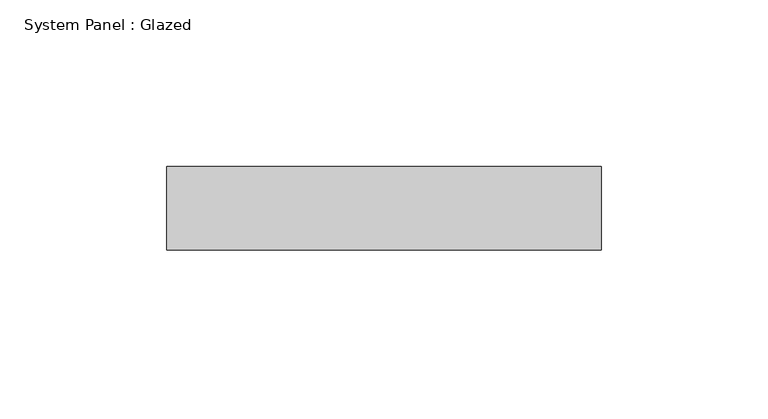
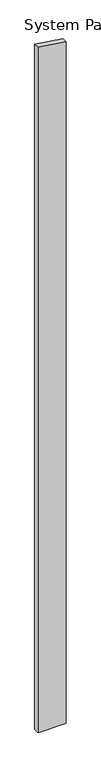
"""IFC4 building model written with IfcOpenShell, lengths in millimetres: plate geometry, System Panel : Glazed."""

from ifc_helpers import new_model, si_unit, frame, origin, place, context, project, spatial, polyline, outline, extrude, source, transform, mapped, element, save


def system_panel_glazed_5cb5ba19(model_context):
    return source(origin(), model_context, "Body", "SweptSolid", [
        extrude(outline(polyline([(0.0, -65.0), (0.0, 65.0), (3326.7316592, 65.0), (3345.9828041, -65.0), (0.0, -65.0)])), frame((0.0, 24.5, 0.0), z_axis=(0.0, 1.0, 0.0), x_axis=(0.0, 0.0, 1.0)), (0.0, 0.0, 1.0), 25.0),
    ])


if __name__ == "__main__":
    model = new_model("IFC4")
    model_context = context("Model", 3, world=origin())
    ifc_project = project(units=[si_unit("LENGTHUNIT", "METRE", prefix="MILLI")], contexts=[model_context])
    site = spatial("IfcSite", under=ifc_project)
    building = spatial("IfcBuilding", under=site)
    placement = place(None, origin())
    system_panel_glazed_shape = system_panel_glazed_5cb5ba19(model_context)
    element("IfcPlate", 1, ObjectType="System Panel : Glazed", at=placement, inside=building, context=model_context, shape_type="MappedRepresentation", body=[
        mapped(system_panel_glazed_shape, transform((0.0, 0.0, 0.0), x_axis=(1.0, 0.0, 0.0), y_axis=(0.0, 1.0, 0.0), z_axis=(0.0, 0.0, 1.0))),
    ])
    save(model, "model.ifc")
